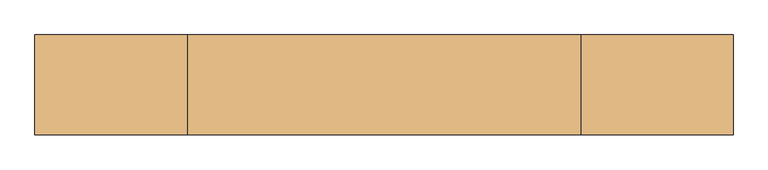
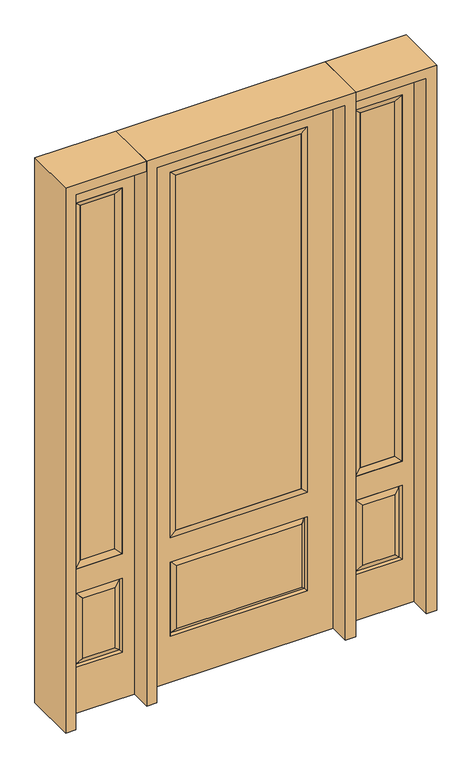
"""IFC4 building model written with IfcOpenShell, lengths in millimetres: door geometry."""

from ifc_helpers import new_model, si_unit, frame, origin, place, context, project, spatial, polyline, outline, extrude, faceted_brep, source, transform, mapped, element, save


def door_f1cb3394(model_context):
    return source(origin(), model_context, "Body", "SolidModel", [
        faceted_brep([(450.85, -22.225, 0.0), (755.65, -22.225, 0.0), (755.65, -22.225, 2438.4), (450.85, -22.225, 2438.4), (703.58, -22.225, 2325.624), (703.58, -22.225, 657.098), (502.92, -22.225, 657.098), (502.92, -22.225, 2325.624), (703.58, -22.225, 209.55), (502.92, -22.225, 209.55), (502.92, -22.225, 546.1), (703.58, -22.225, 546.1), (534.6351001, -22.225, 241.2651001), (671.8648999, -22.225, 241.2651001), (671.8648999, -22.225, 514.3848999), (534.6351001, -22.225, 514.3848999), (450.85, 22.225, 0.0), (450.85, 22.225, 2438.4), (755.65, 22.225, 2438.4), (755.65, 22.225, 0.0), (703.58, 22.225, 2325.624), (502.92, 22.225, 2325.624), (502.92, 22.225, 657.098), (703.58, 22.225, 657.098), (502.92, 22.225, 209.55), (703.58, 22.225, 209.55), (703.58, 22.225, 546.1), (502.92, 22.225, 546.1), (671.8648999, 22.225, 241.2651001), (534.6351001, 22.225, 241.2651001), (534.6351001, 22.225, 514.3848999), (671.8648999, 22.225, 514.3848999), (696.4711499, 12.7912373, 216.6588501), (510.0288501, 12.7912373, 216.6588501), (510.0288501, 12.7912373, 538.9911499), (696.4711499, 12.7912373, 538.9911499), (510.0288501, -12.7912373, 216.6588501), (696.4711499, -12.7912373, 216.6588501), (510.0288501, -12.7912373, 538.9911499), (696.4711499, -12.7912373, 538.9911499)], [[[0, 1, 2, 3], [4, 5, 6, 7], [8, 9, 10, 11]], [[12, 13, 14, 15]], [[16, 17, 18, 19], [20, 21, 22, 23], [24, 25, 26, 27]], [[28, 29, 30, 31]], [[1, 0, 16, 19]], [[2, 1, 19, 18]], [[3, 2, 18, 17]], [[0, 3, 17, 16]], [[5, 4, 20, 23]], [[6, 5, 23, 22]], [[7, 6, 22, 21]], [[4, 7, 21, 20]], [[32, 33, 29, 28]], [[33, 32, 25, 24]], [[29, 33, 34, 30]], [[33, 24, 27, 34]], [[30, 34, 35, 31]], [[34, 27, 26, 35]], [[32, 28, 31, 35]], [[25, 32, 35, 26]], [[12, 36, 37, 13]], [[37, 36, 9, 8]], [[36, 12, 15, 38]], [[9, 36, 38, 10]], [[38, 15, 14, 39]], [[10, 38, 39, 11]], [[13, 37, 39, 14]], [[37, 8, 11, 39]]]),
        faceted_brep([(502.92, 22.225, 2325.624), (502.92, -22.225, 2325.624), (703.58, -22.225, 2325.624), (703.58, 22.225, 2325.624), (528.32, 12.7, 2300.224), (678.18, 12.7, 2300.224), (528.32, -12.7, 2300.224), (678.18, -12.7, 2300.224), (703.58, -22.225, 657.098), (703.58, 22.225, 657.098), (678.18, 12.7, 682.498), (678.18, -12.7, 682.498), (502.92, -22.225, 657.098), (502.92, 22.225, 657.098), (528.32, 12.7, 682.498), (528.32, -12.7, 682.498)], [[[0, 1, 2, 3]], [[4, 0, 3, 5]], [[6, 4, 5, 7]], [[1, 6, 7, 2]], [[3, 2, 8, 9]], [[5, 3, 9, 10]], [[7, 5, 10, 11]], [[2, 7, 11, 8]], [[9, 8, 12, 13]], [[10, 9, 13, 14]], [[11, 10, 14, 15]], [[8, 11, 15, 12]], [[13, 12, 1, 0]], [[14, 13, 0, 4]], [[15, 14, 4, 6]], [[12, 15, 6, 1]]]),
        extrude(outline(polyline([(678.18, -12.7), (528.32, -12.7), (528.32, 12.7), (678.18, 12.7), (678.18, -12.7)])), frame((0.0, 0.0, 682.498), z_axis=(0.0, 0.0, 1.0), x_axis=(1.0, 0.0, 0.0)), (0.0, 0.0, 1.0), 1617.726),
        faceted_brep([(-755.65, -22.225, 0.0), (-450.85, -22.225, 0.0), (-450.85, -22.225, 2438.4), (-755.65, -22.225, 2438.4), (-502.92, -22.225, 2325.624), (-502.92, -22.225, 657.098), (-703.58, -22.225, 657.098), (-703.58, -22.225, 2325.624), (-502.92, -22.225, 209.55), (-703.58, -22.225, 209.55), (-703.58, -22.225, 546.1), (-502.92, -22.225, 546.1), (-671.8648999, -22.225, 241.2651001), (-534.6351001, -22.225, 241.2651001), (-534.6351001, -22.225, 514.3848999), (-671.8648999, -22.225, 514.3848999), (-755.65, 22.225, 0.0), (-755.65, 22.225, 2438.4), (-450.85, 22.225, 2438.4), (-450.85, 22.225, 0.0), (-502.92, 22.225, 2325.624), (-703.58, 22.225, 2325.624), (-703.58, 22.225, 657.098), (-502.92, 22.225, 657.098), (-703.58, 22.225, 209.55), (-502.92, 22.225, 209.55), (-502.92, 22.225, 546.1), (-703.58, 22.225, 546.1), (-534.6351001, 22.225, 241.2651001), (-671.8648999, 22.225, 241.2651001), (-671.8648999, 22.225, 514.3848999), (-534.6351001, 22.225, 514.3848999), (-510.0288501, 12.7912373, 216.6588501), (-696.4711499, 12.7912373, 216.6588501), (-696.4711499, 12.7912373, 538.9911499), (-510.0288501, 12.7912373, 538.9911499), (-696.4711499, -12.7912373, 216.6588501), (-510.0288501, -12.7912373, 216.6588501), (-696.4711499, -12.7912373, 538.9911499), (-510.0288501, -12.7912373, 538.9911499)], [[[0, 1, 2, 3], [4, 5, 6, 7], [8, 9, 10, 11]], [[12, 13, 14, 15]], [[16, 17, 18, 19], [20, 21, 22, 23], [24, 25, 26, 27]], [[28, 29, 30, 31]], [[1, 0, 16, 19]], [[2, 1, 19, 18]], [[3, 2, 18, 17]], [[0, 3, 17, 16]], [[5, 4, 20, 23]], [[6, 5, 23, 22]], [[7, 6, 22, 21]], [[4, 7, 21, 20]], [[32, 33, 29, 28]], [[33, 32, 25, 24]], [[29, 33, 34, 30]], [[33, 24, 27, 34]], [[30, 34, 35, 31]], [[34, 27, 26, 35]], [[32, 28, 31, 35]], [[25, 32, 35, 26]], [[12, 36, 37, 13]], [[37, 36, 9, 8]], [[36, 12, 15, 38]], [[9, 36, 38, 10]], [[38, 15, 14, 39]], [[10, 38, 39, 11]], [[13, 37, 39, 14]], [[37, 8, 11, 39]]]),
        faceted_brep([(-703.58, 22.225, 2325.624), (-703.58, -22.225, 2325.624), (-502.92, -22.225, 2325.624), (-502.92, 22.225, 2325.624), (-678.18, 12.7, 2300.224), (-528.32, 12.7, 2300.224), (-678.18, -12.7, 2300.224), (-528.32, -12.7, 2300.224), (-502.92, -22.225, 657.098), (-502.92, 22.225, 657.098), (-528.32, 12.7, 682.498), (-528.32, -12.7, 682.498), (-703.58, -22.225, 657.098), (-703.58, 22.225, 657.098), (-678.18, 12.7, 682.498), (-678.18, -12.7, 682.498)], [[[0, 1, 2, 3]], [[4, 0, 3, 5]], [[6, 4, 5, 7]], [[1, 6, 7, 2]], [[3, 2, 8, 9]], [[5, 3, 9, 10]], [[7, 5, 10, 11]], [[2, 7, 11, 8]], [[9, 8, 12, 13]], [[10, 9, 13, 14]], [[11, 10, 14, 15]], [[8, 11, 15, 12]], [[13, 12, 1, 0]], [[14, 13, 0, 4]], [[15, 14, 4, 6]], [[12, 15, 6, 1]]]),
        extrude(outline(polyline([(-528.32, -12.7), (-678.18, -12.7), (-678.18, 12.7), (-528.32, 12.7), (-528.32, -12.7)])), frame((0.0, 0.0, 682.498), z_axis=(0.0, 0.0, 1.0), x_axis=(1.0, 0.0, 0.0)), (0.0, 0.0, 1.0), 1617.726),
        extrude(outline(polyline([(269.875, -20.32), (-269.875, -20.32), (-269.875, 5.08), (269.875, 5.08), (269.875, -20.32)])), frame((0.0, 0.0, 682.498), z_axis=(0.0, 0.0, 1.0), x_axis=(1.0, 0.0, 0.0)), (0.0, 0.0, 1.0), 1616.202),
        faceted_brep([(-288.1661499, -12.7912373, 216.6588501), (288.1661499, -12.7912373, 216.6588501), (270.66875, -22.225, 234.15625), (-270.66875, -22.225, 234.15625), (-295.275, -22.225, 209.55), (295.275, -22.225, 209.55), (-288.1661499, -12.7912373, 538.9911499), (-295.275, -22.225, 546.1), (270.66875, -22.225, 521.49375), (-270.66875, -22.225, 521.49375), (406.4, -22.225, 2438.4), (-406.4, -22.225, 2438.4), (-406.4, -22.225, 0.0), (406.4, -22.225, 0.0), (295.275, -22.225, 546.1), (295.275, -22.225, 2324.1), (295.275, -22.225, 657.098), (-295.275, -22.225, 657.098), (-295.275, -22.225, 2324.1), (288.1661499, -12.7912373, 538.9911499), (-406.4, 22.225, 2438.4), (-406.4, 22.225, 0.0), (406.4, 22.225, 0.0), (406.4, 22.225, 2438.4), (295.275, 22.225, 2324.1), (295.275, 22.225, 657.098), (-295.275, 22.225, 657.098), (-295.275, 22.225, 2324.1), (-295.275, 22.225, 209.55), (295.275, 22.225, 209.55), (295.275, 22.225, 546.1), (-295.275, 22.225, 546.1), (270.66875, 22.225, 234.15625), (-270.66875, 22.225, 234.15625), (-270.66875, 22.225, 521.49375), (270.66875, 22.225, 521.49375), (-288.1661499, 12.7912373, 216.6588501), (288.1661499, 12.7912373, 216.6588501), (288.1661499, 12.7912373, 538.9911499), (-288.1661499, 12.7912373, 538.9911499)], [[[0, 1, 2, 3]], [[1, 0, 4, 5]], [[4, 0, 6, 7]], [[3, 2, 8, 9]], [[10, 11, 12, 13], [5, 4, 7, 14], [15, 16, 17, 18]], [[1, 5, 14, 19]], [[2, 1, 19, 8]], [[0, 3, 9, 6]], [[7, 6, 19, 14]], [[6, 9, 8, 19]], [[12, 11, 20, 21]], [[13, 12, 21, 22]], [[10, 13, 22, 23]], [[16, 15, 24, 25]], [[17, 16, 25, 26]], [[18, 17, 26, 27]], [[23, 22, 21, 20], [28, 29, 30, 31], [24, 27, 26, 25]], [[32, 33, 34, 35]], [[28, 36, 37, 29]], [[29, 37, 38, 30]], [[39, 31, 30, 38]], [[36, 28, 31, 39]], [[37, 36, 33, 32]], [[33, 36, 39, 34]], [[34, 39, 38, 35]], [[37, 32, 35, 38]], [[11, 10, 23, 20]], [[15, 18, 27, 24]]]),
        faceted_brep([(-295.275, -22.225, 2324.1), (-295.275, 22.225, 2324.1), (-295.275, 22.225, 657.098), (-295.275, -22.225, 657.098), (295.275, 22.225, 657.098), (295.275, -22.225, 657.098), (-269.875, 5.08, 682.498), (269.875, 5.08, 682.498), (295.275, 22.225, 2324.1), (295.275, -22.225, 2324.1), (-269.875, -20.32, 682.498), (269.875, -20.32, 682.498), (-269.875, -20.32, 2298.7), (269.875, -20.32, 2298.7), (-269.875, 5.08, 2298.7), (269.875, 5.08, 2298.7)], [[[0, 1, 2, 3]], [[3, 2, 4, 5]], [[2, 6, 7, 4]], [[5, 4, 8, 9]], [[10, 3, 5, 11]], [[12, 0, 3, 10]], [[11, 5, 9, 13]], [[6, 10, 11, 7]], [[14, 12, 10, 6]], [[7, 11, 13, 15]], [[1, 14, 6, 2]], [[4, 7, 15, 8]], [[9, 8, 1, 0]], [[13, 9, 0, 12]], [[15, 13, 12, 14]], [[8, 15, 14, 1]]]),
        extrude(outline(polyline([(2438.4, -450.85), (2482.85, -450.85), (2482.85, -800.1), (0.0, -800.1), (0.0, -755.65), (2438.4, -755.65), (2438.4, -450.85)])), frame((0.0, -114.3, 0.0), z_axis=(0.0, 1.0, 0.0), x_axis=(0.0, 0.0, 1.0)), (0.0, 0.0, 1.0), 228.6),
        extrude(outline(polyline([(2482.85, -450.85), (0.0, -450.85), (0.0, -406.4), (2438.4, -406.4), (2438.4, 406.4), (0.0, 406.4), (0.0, 450.85), (2482.85, 450.85), (2482.85, -450.85)])), frame((0.0, -114.3, 0.0), z_axis=(0.0, 1.0, 0.0), x_axis=(0.0, 0.0, 1.0)), (0.0, 0.0, 1.0), 228.6),
        extrude(outline(polyline([(0.0, 755.65), (0.0, 800.1), (2482.85, 800.1), (2482.85, 450.85), (2438.4, 450.85), (2438.4, 755.65), (0.0, 755.65)])), frame((0.0, -114.3, 0.0), z_axis=(0.0, 1.0, 0.0), x_axis=(0.0, 0.0, 1.0)), (0.0, 0.0, 1.0), 228.6),
    ])


if __name__ == "__main__":
    model = new_model("IFC4")
    model_context = context("Model", 3, world=origin())
    ifc_project = project(units=[si_unit("LENGTHUNIT", "METRE", prefix="MILLI")], contexts=[model_context])
    site = spatial("IfcSite", under=ifc_project)
    building = spatial("IfcBuilding", under=site)
    placement = place(None, origin())
    door_shape = door_f1cb3394(model_context)
    element("IfcDoor", 1, at=placement, inside=building, context=model_context, shape_type="MappedRepresentation", body=[
        mapped(door_shape, transform((0.0, 0.0, 0.0), x_axis=(1.0, 0.0, 0.0), y_axis=(0.0, 1.0, 0.0), z_axis=(0.0, 0.0, 1.0))),
    ])
    save(model, "model.ifc")
